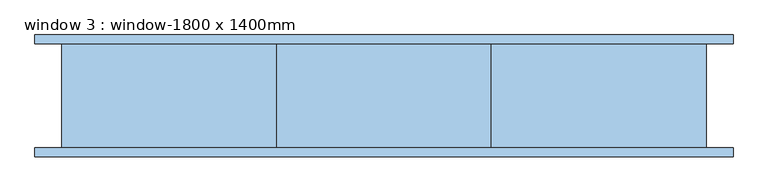
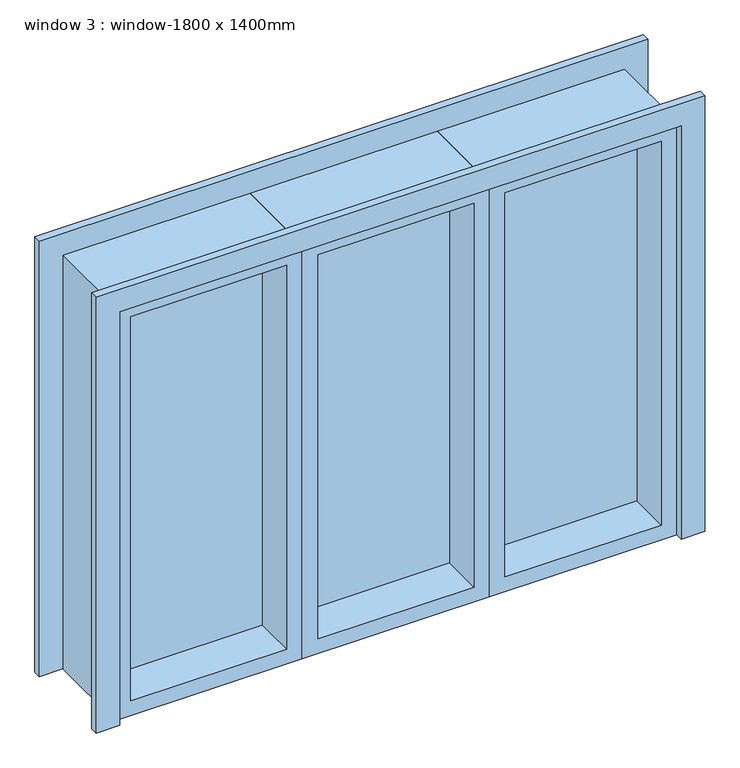
"""IFC4 building model written with IfcOpenShell, lengths in millimetres: window geometry, window 3 : window-1800 x 1400mm."""

from ifc_helpers import new_model, si_unit, frame, origin, place, context, project, spatial, polyline, outline, extrude, source, transform, mapped, element, save


def window_3_window_1800_x_1400mm_d1b594fc(model_context):
    return source(origin(), model_context, "Body", "SweptSolid", [
        extrude(outline(polyline([(1400.0, -900.0), (1400.0, 900.0), (0.0, 900.0), (0.0, 975.0), (1475.0, 975.0), (1475.0, -975.0), (0.0, -975.0), (0.0, -900.0), (1400.0, -900.0)])), frame((0.0, 145.0, 0.0), z_axis=(0.0, 1.0, 0.0), x_axis=(0.0, 0.0, 1.0)), (0.0, 0.0, 1.0), 25.0),
        extrude(outline(polyline([(1475.0, -975.0), (0.0, -975.0), (0.0, -900.0), (1400.0, -900.0), (1400.0, 900.0), (0.0, 900.0), (0.0, 975.0), (1475.0, 975.0), (1475.0, -975.0)])), frame((0.0, -170.0, 0.0), z_axis=(0.0, 1.0, 0.0), x_axis=(0.0, 0.0, 1.0)), (0.0, 0.0, 1.0), 25.0),
        extrude(outline(polyline([(850.0, -10.0), (350.0, -10.0), (350.0, 10.0), (850.0, 10.0), (850.0, -10.0)])), frame((0.0, 0.0, 50.0), z_axis=(0.0, 0.0, 1.0), x_axis=(1.0, 0.0, 0.0)), (0.0, 0.0, 1.0), 1300.0),
        extrude(outline(polyline([(-350.0, -10.0), (-850.0, -10.0), (-850.0, 10.0), (-350.0, 10.0), (-350.0, -10.0)])), frame((0.0, 0.0, 50.0), z_axis=(0.0, 0.0, 1.0), x_axis=(1.0, 0.0, 0.0)), (0.0, 0.0, 1.0), 1300.0),
        extrude(outline(polyline([(250.0, -10.0), (-250.0, -10.0), (-250.0, 10.0), (250.0, 10.0), (250.0, -10.0)])), frame((0.0, 0.0, 50.0), z_axis=(0.0, 0.0, 1.0), x_axis=(1.0, 0.0, 0.0)), (0.0, 0.0, 1.0), 1300.0),
        extrude(outline(polyline([(1400.0, 900.0), (1400.0, 300.0), (0.0, 300.0), (0.0, 900.0), (1400.0, 900.0)]), holes=[polyline([(1350.0, 850.0), (50.0, 850.0), (50.0, 350.0), (1350.0, 350.0), (1350.0, 850.0)])]), frame((0.0, -145.0, 0.0), z_axis=(0.0, 1.0, 0.0), x_axis=(0.0, 0.0, 1.0)), (0.0, 0.0, 1.0), 290.0),
        extrude(outline(polyline([(1400.0, 300.0), (1400.0, -300.0), (0.0, -300.0), (0.0, 300.0), (1400.0, 300.0)]), holes=[polyline([(1350.0, 250.0), (50.0, 250.0), (50.0, -250.0), (1350.0, -250.0), (1350.0, 250.0)])]), frame((0.0, -145.0, 0.0), z_axis=(0.0, 1.0, 0.0), x_axis=(0.0, 0.0, 1.0)), (0.0, 0.0, 1.0), 290.0),
        extrude(outline(polyline([(1400.0, -300.0), (1400.0, -900.0), (0.0, -900.0), (0.0, -300.0), (1400.0, -300.0)]), holes=[polyline([(1350.0, -350.0), (50.0, -350.0), (50.0, -850.0), (1350.0, -850.0), (1350.0, -350.0)])]), frame((0.0, -145.0, 0.0), z_axis=(0.0, 1.0, 0.0), x_axis=(0.0, 0.0, 1.0)), (0.0, 0.0, 1.0), 290.0),
    ])


if __name__ == "__main__":
    model = new_model("IFC4")
    model_context = context("Model", 3, world=origin())
    ifc_project = project(units=[si_unit("LENGTHUNIT", "METRE", prefix="MILLI")], contexts=[model_context])
    site = spatial("IfcSite", under=ifc_project)
    building = spatial("IfcBuilding", under=site)
    placement = place(None, origin())
    window_3_window_1800_x_1400mm_shape = window_3_window_1800_x_1400mm_d1b594fc(model_context)
    element("IfcWindow", 1, ObjectType="window 3 : window-1800 x 1400mm", at=placement, inside=building, context=model_context, shape_type="MappedRepresentation", body=[
        mapped(window_3_window_1800_x_1400mm_shape, transform((0.0, 0.0, 0.0), x_axis=(1.0, 0.0, 0.0), y_axis=(0.0, 1.0, 0.0), z_axis=(0.0, 0.0, 1.0))),
    ])
    save(model, "model.ifc")
